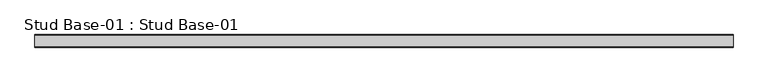
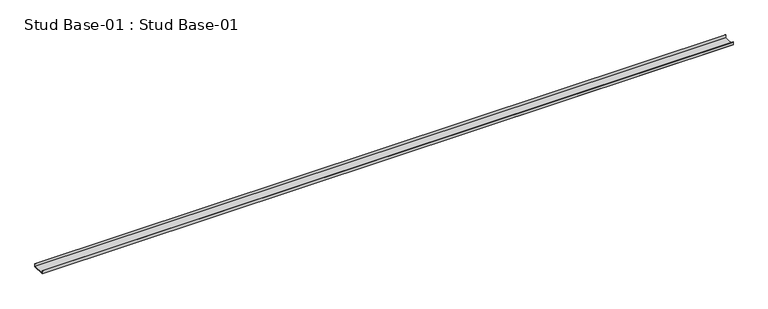
"""IFC4 building model written with IfcOpenShell, lengths in millimetres: proxy geometry, Stud Base-01 : Stud Base-01."""

from ifc_helpers import new_model, si_unit, frame, origin, place, context, project, spatial, polyline, outline, extrude, source, transform, mapped, element, save


def stud_base_01_stud_base_01_4080c478(model_context):
    return source(origin(), model_context, "Body", "SweptSolid", [
        extrude(outline(polyline([(-487.1, 3100.0), (-641.1109375, 3100.0), (-641.1109375, 3137.0), (-639.6109375, 3137.0), (-639.6109375, 3102.0), (-488.6, 3102.0), (-488.6, 3137.0), (-487.1, 3137.0), (-487.1, 3100.0)])), frame((-13774.1749894, 0.0, 0.0), z_axis=(1.0, 0.0, 0.0), x_axis=(0.0, 1.0, 0.0)), (0.0, 0.0, 1.0), 8540.0),
    ])


if __name__ == "__main__":
    model = new_model("IFC4")
    model_context = context("Model", 3, world=origin())
    ifc_project = project(units=[si_unit("LENGTHUNIT", "METRE", prefix="MILLI")], contexts=[model_context])
    site = spatial("IfcSite", under=ifc_project)
    building = spatial("IfcBuilding", under=site)
    placement = place(None, origin())
    stud_base_01_stud_base_01_shape = stud_base_01_stud_base_01_4080c478(model_context)
    element("IfcBuildingElementProxy", 1, Name="Stud Base-01 : Stud Base-01", ObjectType="Stud Base-01 : Stud Base-01", at=placement, inside=building, context=model_context, shape_type="MappedRepresentation", body=[
        mapped(stud_base_01_stud_base_01_shape, transform((0.0, 0.0, 0.0), x_axis=(1.0, 0.0, 0.0), y_axis=(0.0, 1.0, 0.0), z_axis=(0.0, 0.0, 1.0))),
    ])
    save(model, "model.ifc")
